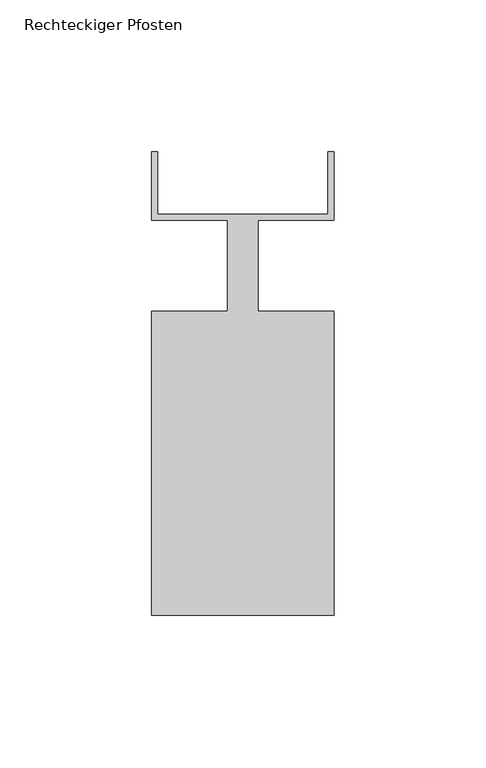
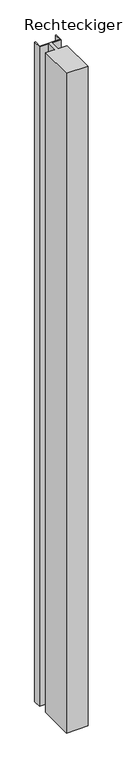
"""IFC4 building model written with IfcOpenShell, lengths in millimetres: member geometry, Rechteckiger Pfosten."""

from ifc_helpers import new_model, si_unit, frame, origin, place, context, project, spatial, polyline, outline, extrude, source, transform, mapped, element, save


def rechteckiger_pfosten_916c1bab(model_context):
    return source(origin(), model_context, "Body", "SweptSolid", [
        extrude(outline(polyline([(-2.0, 37.5), (0.0, 37.5), (0.0, 15.0), (-25.0, 15.0), (-25.0, -15.0), (0.0, -15.0), (0.0, -115.0), (-60.0, -115.0), (-60.0, -15.0), (-35.0, -15.0), (-35.0, 15.0), (-60.0, 15.0), (-60.0, 37.5), (-58.0, 37.5), (-58.0, 17.0), (-2.0, 17.0), (-2.0, 37.5)])), frame((0.0, 0.0, -1940.0), z_axis=(0.0, 0.0, 1.0), x_axis=(1.0, 0.0, 0.0)), (0.0, 0.0, 1.0), 1940.0),
    ])


if __name__ == "__main__":
    model = new_model("IFC4")
    model_context = context("Model", 3, world=origin())
    ifc_project = project(units=[si_unit("LENGTHUNIT", "METRE", prefix="MILLI")], contexts=[model_context])
    site = spatial("IfcSite", under=ifc_project)
    building = spatial("IfcBuilding", under=site)
    placement = place(None, origin())
    rechteckiger_pfosten_shape = rechteckiger_pfosten_916c1bab(model_context)
    element("IfcMember", 1, ObjectType="Rechteckiger Pfosten", at=placement, inside=building, context=model_context, shape_type="MappedRepresentation", body=[
        mapped(rechteckiger_pfosten_shape, transform((0.0, 0.0, 0.0), x_axis=(1.0, 0.0, 0.0), y_axis=(0.0, 1.0, 0.0), z_axis=(0.0, 0.0, 1.0))),
    ])
    save(model, "model.ifc")
